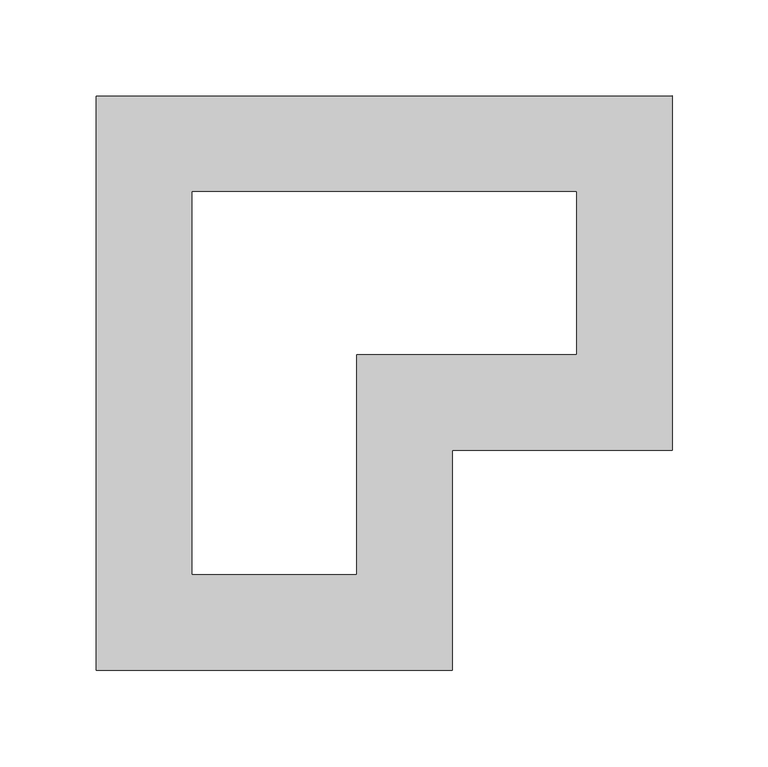
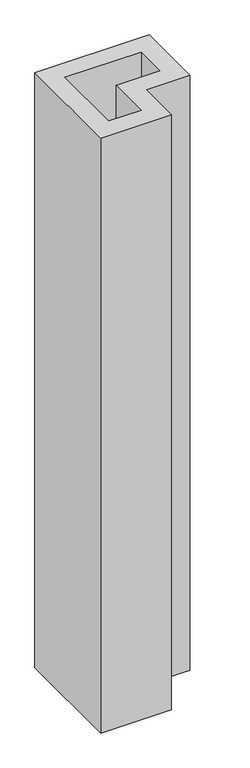
"""IFC4 building model written with IfcOpenShell, lengths in millimetres: proxy geometry."""

from ifc_helpers import new_model, si_unit, origin, origin_with_axes, place, context, project, spatial, polyline, outline, extrude, source, transform, mapped, element, save


def generic_models_40f85ed0(model_context):
    return source(origin(), model_context, "Body", "SweptSolid", [
        extrude(outline(polyline([(135.5229338, -250.0), (-50.0, -250.0), (-50.0, 49.0760521), (250.0, 49.0760521), (250.0, -135.5229338), (135.5229338, -135.5229338), (135.5229338, -250.0)]), holes=[polyline([(85.5229338, -85.5229338), (200.0, -85.5229338), (200.0, -0.9239479), (0.0, -0.9239479), (0.0, -200.0), (85.5229338, -200.0), (85.5229338, -85.5229338)])]), origin_with_axes(), (0.0, 0.0, 1.0), 1650.624144),
    ])


if __name__ == "__main__":
    model = new_model("IFC4")
    model_context = context("Model", 3, world=origin())
    ifc_project = project(units=[si_unit("LENGTHUNIT", "METRE", prefix="MILLI")], contexts=[model_context])
    site = spatial("IfcSite", under=ifc_project)
    building = spatial("IfcBuilding", under=site)
    placement = place(None, origin())
    generic_models_shape = generic_models_40f85ed0(model_context)
    element("IfcBuildingElementProxy", 1, Name="Generic Models", at=placement, inside=building, context=model_context, shape_type="MappedRepresentation", body=[
        mapped(generic_models_shape, transform((0.0, 0.0, 0.0), x_axis=(1.0, 0.0, 0.0), y_axis=(0.0, 1.0, 0.0), z_axis=(0.0, 0.0, 1.0))),
    ])
    save(model, "model.ifc")
